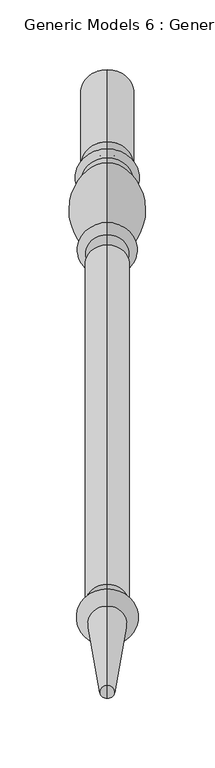
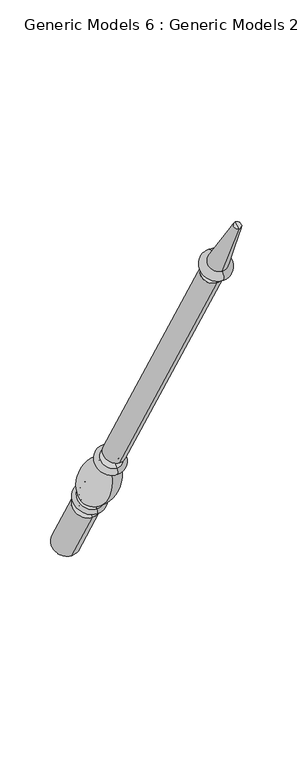
"""IFC4 building model written with IfcOpenShell, lengths in millimetres: proxy geometry, Generic Models 6 : Generic Models 2."""

from ifc_helpers import new_model, si_unit, point, frame, origin, place, context, project, spatial, polyline, circle_curve, ellipse_curve, trimmed, source, transform, mapped, element, save
from ifc_brep_helpers import plane_surface, cylinder_surface, revolved_surface, advanced_brep


def generic_models_6_generic_models_2_a568923c(model_context):
    return source(origin(), model_context, "Body", "AdvancedBrep", [
        advanced_brep(
        [(-1848.2684498, 1861.1601077, 610.5814746), (-1848.2684498, 1828.1645398, 591.5314746), (-1848.2684498, 1880.0576333, 501.65), (-1848.2684498, 1913.0532012, 520.7), (-1848.2684498, 1853.6896456, 623.5206944), (-1848.2684498, 1820.6940777, 604.4706944), (-1848.2684498, 1849.5864045, 630.6277165), (-1848.2684498, 1816.5908366, 611.5777165), (-1848.2684498, 1845.9182158, 636.9812058), (-1848.2684498, 1812.9226479, 617.9312058), (-1848.2684498, 1801.1569262, 703.055156), (-1848.2684498, 1778.0815733, 689.7325947), (-1848.2684498, 1799.8610191, 710.4046105), (-1848.2684498, 1772.3647125, 694.5296105), (-1848.2684498, 1794.1590629, 720.2806883), (-1848.2684498, 1766.6627563, 704.4056883), (-1848.2684498, 1786.7732215, 733.0733408), (-1848.2684498, 1759.276915, 717.1983408), (-1848.2684498, 1542.2982215, 1156.516462), (-1848.2684498, 1514.801915, 1140.641462), (-1848.2684498, 1537.2251467, 1153.5875209), (-1848.2684498, 1519.8749898, 1143.5704031), (-1848.2684498, 1531.1910418, 1164.0388972), (-1848.2684498, 1513.8408848, 1154.0217794), (-1848.2684498, 1534.7597609, 1166.0992981), (-1848.2684498, 1510.2721658, 1151.9613785), (-1848.2684498, 1526.5847892, 1180.2587644), (-1848.2684498, 1502.0971941, 1166.1208448), (-1848.2684498, 1469.4852742, 1261.8053229), (-1848.2684498, 1460.0255603, 1256.3437545), (-1848.2684498, 1464.7554173, 1259.0745387), (-1848.2684498, 1896.5554173, 511.175)],
        [
            (0, 1, circle_curve(frame((-1848.2684498, 1844.6623237, 601.0564746), z_axis=(0.0, 0.5000000000000062, -0.8660254037844352), x_axis=(0.0, -0.8660254037844352, -0.5000000000000062)), 19.05)),
            (1, 2),
            (2, 3, circle_curve(frame((-1848.2684498, 1896.5554173, 511.175), z_axis=(0.0, -0.5000000000000062, 0.8660254037844352), x_axis=(0.0, -0.8660254037844352, -0.5000000000000062)), 19.05)),
            (3, 0),
            (1, 0, circle_curve(frame((-1848.2684498, 1844.6623237, 601.0564746), z_axis=(0.0, 0.5000000000000062, -0.8660254037844352), x_axis=(0.0, -0.8660254037844352, -0.5000000000000062)), 19.05)),
            (3, 2, circle_curve(frame((-1848.2684498, 1896.5554173, 511.175), z_axis=(0.0, -0.5000000000000062, 0.8660254037844352), x_axis=(0.0, -0.8660254037844352, -0.5000000000000062)), 19.05)),
            (4, 5, circle_curve(frame((-1848.2684498, 1837.1918617, 613.9956944), z_axis=(0.0, 0.5000000000000062, -0.8660254037844352), x_axis=(0.0, -0.8660254037844352, -0.5000000000000062)), 19.05)),
            (5, 1, circle_curve(frame((-1848.2684498, 1821.8102989, 596.4889985), z_axis=(-1.0, 0.0, 0.0), x_axis=(0.0, 0.8660254037844352, 0.5000000000000062)), 8.0593685)),
            (0, 4, circle_curve(frame((-1848.2684498, 1860.0438865, 618.5631706), z_axis=(-1.0, 0.0, 0.0), x_axis=(0.0, -0.8660254037844352, -0.5000000000000062)), 8.0593685)),
            (5, 4, circle_curve(frame((-1848.2684498, 1837.1918617, 613.9956944), z_axis=(0.0, 0.5000000000000062, -0.8660254037844352), x_axis=(0.0, -0.8660254037844352, -0.5000000000000062)), 19.05)),
            (6, 7, circle_curve(frame((-1848.2684498, 1833.0886205, 621.1027165), z_axis=(0.0, 0.5000000000000062, -0.8660254037844352), x_axis=(0.0, -0.8660254037844352, -0.5000000000000062)), 19.05)),
            (7, 5, circle_curve(frame((-1848.2684498, 1818.6424572, 608.0242055), z_axis=(1.0, 0.0, 0.0), x_axis=(0.0, 0.8660254037844352, 0.5000000000000062)), 4.1032411)),
            (4, 6, circle_curve(frame((-1848.2684498, 1851.638025, 627.0742055), z_axis=(1.0, 0.0, 0.0), x_axis=(0.0, -0.8660254037844352, -0.5000000000000062)), 4.1032411)),
            (7, 6, circle_curve(frame((-1848.2684498, 1833.0886205, 621.1027165), z_axis=(0.0, 0.5000000000000062, -0.8660254037844352), x_axis=(0.0, -0.8660254037844352, -0.5000000000000062)), 19.05)),
            (8, 9, circle_curve(frame((-1848.2684498, 1829.4204318, 627.4562058), z_axis=(0.0, 0.5000000000000062, -0.8660254037844352), x_axis=(0.0, -0.8660254037844352, -0.5000000000000062)), 19.05)),
            (9, 7, circle_curve(frame((-1848.2684498, 1813.3633086, 613.9499618), z_axis=(-1.0, 0.0, 0.0), x_axis=(0.0, 0.8660254037844352, 0.5000000000000062)), 4.0055568)),
            (6, 8, circle_curve(frame((-1848.2684498, 1849.1457438, 634.6089605), z_axis=(-1.0, 0.0, 0.0), x_axis=(0.0, -0.8660254037844352, -0.5000000000000062)), 4.0055568)),
            (9, 8, circle_curve(frame((-1848.2684498, 1829.4204318, 627.4562058), z_axis=(0.0, 0.5000000000000062, -0.8660254037844352), x_axis=(0.0, -0.8660254037844352, -0.5000000000000062)), 19.05)),
            (10, 11, circle_curve(frame((-1848.2684498, 1789.6192497, 696.3938754), z_axis=(0.0, 0.5000000000000062, -0.8660254037844352), x_axis=(0.0, -0.8660254037844352, -0.5000000000000062)), 13.3225612)),
            (11, 9, circle_curve(frame((-1848.2684498, 1854.1299968, 682.2806335), z_axis=(1.0, 0.0, 0.0), x_axis=(0.0, 0.8660254037844352, 0.5000000000000062)), 76.412659)),
            (8, 10, circle_curve(frame((-1848.2684498, 1769.5863022, 633.4693086), z_axis=(1.0, 0.0, 0.0), x_axis=(0.0, -0.8660254037844352, -0.5000000000000062)), 76.412659)),
            (11, 10, circle_curve(frame((-1848.2684498, 1789.6192497, 696.3938754), z_axis=(0.0, 0.5000000000000062, -0.8660254037844352), x_axis=(0.0, -0.8660254037844352, -0.5000000000000062)), 13.3225612)),
            (12, 13, circle_curve(frame((-1848.2684498, 1786.1128658, 702.4671105), z_axis=(0.0, 0.5000000000000062, -0.8660254037844352), x_axis=(0.0, -0.8660254037844352, -0.5000000000000062)), 15.875)),
            (13, 11, circle_curve(frame((-1848.2684498, 1773.4069828, 689.9666873), z_axis=(-1.0, 0.0, 0.0), x_axis=(0.0, 0.8660254037844352, 0.5000000000000062)), 4.6804482)),
            (10, 12, circle_curve(frame((-1848.2684498, 1803.2914914, 707.2205164), z_axis=(-1.0, 0.0, 0.0), x_axis=(0.0, -0.8660254037844352, -0.5000000000000062)), 4.6804482)),
            (13, 12, circle_curve(frame((-1848.2684498, 1786.1128658, 702.4671105), z_axis=(0.0, 0.5000000000000062, -0.8660254037844352), x_axis=(0.0, -0.8660254037844352, -0.5000000000000062)), 15.875)),
            (14, 15, circle_curve(frame((-1848.2684498, 1780.4109096, 712.3431883), z_axis=(0.0, 0.5000000000000062, -0.8660254037844352), x_axis=(0.0, -0.8660254037844352, -0.5000000000000062)), 15.875)),
            (15, 13, circle_curve(frame((-1848.2684498, 1769.5137344, 699.4676494), z_axis=(1.0, 0.0, 0.0), x_axis=(0.0, 0.8660254037844352, 0.5000000000000062)), 5.7019562)),
            (12, 14, circle_curve(frame((-1848.2684498, 1797.010041, 715.3426494), z_axis=(1.0, 0.0, 0.0), x_axis=(0.0, -0.8660254037844352, -0.5000000000000062)), 5.7019562)),
            (15, 14, circle_curve(frame((-1848.2684498, 1780.4109096, 712.3431883), z_axis=(0.0, 0.5000000000000062, -0.8660254037844352), x_axis=(0.0, -0.8660254037844352, -0.5000000000000062)), 15.875)),
            (16, 17, circle_curve(frame((-1848.2684498, 1773.0250683, 725.1358408), z_axis=(0.0, 0.5000000000000062, -0.8660254037844352), x_axis=(0.0, -0.8660254037844352, -0.5000000000000062)), 15.875)),
            (17, 15, circle_curve(frame((-1848.2684498, 1762.9698356, 710.8020145), z_axis=(-1.0, 0.0, 0.0), x_axis=(0.0, 0.8660254037844352, 0.5000000000000062)), 7.3858413)),
            (14, 16, circle_curve(frame((-1848.2684498, 1790.4661422, 726.6770145), z_axis=(-1.0, 0.0, 0.0), x_axis=(0.0, -0.8660254037844352, -0.5000000000000062)), 7.3858413)),
            (17, 16, circle_curve(frame((-1848.2684498, 1773.0250683, 725.1358408), z_axis=(0.0, 0.5000000000000062, -0.8660254037844352), x_axis=(0.0, -0.8660254037844352, -0.5000000000000062)), 15.875)),
            (18, 19, circle_curve(frame((-1848.2684498, 1528.5500683, 1148.578962), z_axis=(0.0, 0.5000000000000062, -0.8660254037844352), x_axis=(0.0, -0.8660254037844352, -0.5000000000000062)), 15.875)),
            (19, 17),
            (16, 18),
            (19, 18, circle_curve(frame((-1848.2684498, 1528.5500683, 1148.578962), z_axis=(0.0, 0.5000000000000062, -0.8660254037844352), x_axis=(0.0, -0.8660254037844352, -0.5000000000000062)), 15.875)),
            (20, 21, circle_curve(frame((-1848.2684498, 1528.5500683, 1148.578962), z_axis=(0.0, 0.5000000000000062, -0.8660254037844352), x_axis=(0.0, -0.8660254037844352, -0.5000000000000062)), 10.0171178)),
            (21, 19),
            (18, 20),
            (21, 20, circle_curve(frame((-1848.2684498, 1528.5500683, 1148.578962), z_axis=(0.0, 0.5000000000000062, -0.8660254037844352), x_axis=(0.0, -0.8660254037844352, -0.5000000000000062)), 10.0171178)),
            (22, 23, circle_curve(frame((-1848.2684498, 1522.5159633, 1159.0303383), z_axis=(0.0, 0.5000000000000062, -0.8660254037844352), x_axis=(0.0, -0.8660254037844352, -0.5000000000000062)), 10.0171178)),
            (23, 21, circle_curve(frame((-1848.2684498, 1515.3020818, 1147.8978177), z_axis=(-1.0, 0.0, 0.0), x_axis=(0.0, 0.8660254037844352, 0.5000000000000062)), 6.295872)),
            (20, 22, circle_curve(frame((-1848.2684498, 1535.7639497, 1159.7114826), z_axis=(-1.0, 0.0, 0.0), x_axis=(0.0, -0.8660254037844352, -0.5000000000000062)), 6.295872)),
            (23, 22, circle_curve(frame((-1848.2684498, 1522.5159633, 1159.0303383), z_axis=(0.0, 0.5000000000000062, -0.8660254037844352), x_axis=(0.0, -0.8660254037844352, -0.5000000000000062)), 10.0171178)),
            (24, 25, circle_curve(frame((-1848.2684498, 1522.5159633, 1159.0303383), z_axis=(0.0, 0.5000000000000062, -0.8660254037844352), x_axis=(0.0, -0.8660254037844352, -0.5000000000000062)), 14.1379196)),
            (25, 23),
            (22, 24),
            (25, 24, circle_curve(frame((-1848.2684498, 1522.5159633, 1159.0303383), z_axis=(0.0, 0.5000000000000062, -0.8660254037844352), x_axis=(0.0, -0.8660254037844352, -0.5000000000000062)), 14.1379196)),
            (26, 27, circle_curve(frame((-1848.2684498, 1514.3409916, 1173.1898046), z_axis=(0.0, 0.5000000000000062, -0.8660254037844352), x_axis=(0.0, -0.8660254037844352, -0.5000000000000062)), 14.1379196)),
            (27, 25, circle_curve(frame((-1848.2684498, 1506.1846799, 1159.0411116), z_axis=(1.0, 0.0, 0.0), x_axis=(0.0, 0.8660254037844352, 0.5000000000000062)), 8.1749717)),
            (24, 26, circle_curve(frame((-1848.2684498, 1530.672275, 1173.1790313), z_axis=(1.0, 0.0, 0.0), x_axis=(0.0, -0.8660254037844352, -0.5000000000000062)), 8.1749717)),
            (27, 26, circle_curve(frame((-1848.2684498, 1514.3409916, 1173.1898046), z_axis=(0.0, 0.5000000000000062, -0.8660254037844352), x_axis=(0.0, -0.8660254037844352, -0.5000000000000062)), 14.1379196)),
            (28, 29, circle_curve(frame((-1848.2684498, 1464.7554173, 1259.0745387), z_axis=(0.0, 0.5000000000000062, -0.8660254037844352), x_axis=(0.0, -0.8660254037844352, -0.5000000000000062)), 5.4615684)),
            (29, 27),
            (26, 28),
            (29, 28, circle_curve(frame((-1848.2684498, 1464.7554173, 1259.0745387), z_axis=(0.0, 0.5000000000000062, -0.8660254037844352), x_axis=(0.0, -0.8660254037844352, -0.5000000000000062)), 5.4615684)),
            (30, 29),
            (28, 30),
            (2, 31),
            (31, 3),
        ],
        [
            cylinder_surface(frame((-1848.2684498, 1464.7554173, 1259.0745387), z_axis=(0.0, -0.5000000000000062, 0.8660254037844352), x_axis=(0.0, -0.8660254037844352, -0.5000000000000062)), 19.05),
            revolved_surface(trimmed(ellipse_curve(frame((-1848.2684498, 1821.8102989, 596.4889985), z_axis=(1.0, 0.0, 0.0), x_axis=(0.0, 0.8660254037844352, 0.5000000000000062)), 8.0593685, 8.0593685), [point((-1848.2684498, 1828.1645398, 591.5314746))], [point((-1848.2684498, 1820.6940777, 604.4706944))], True, "CARTESIAN"), (-1848.2684498, 1464.7554173, 1259.0745387), (0.0, -0.5000000000000062, 0.8660254037844352)),
            revolved_surface(trimmed(ellipse_curve(frame((-1848.2684498, 1818.6424572, 608.0242055), z_axis=(-1.0, 0.0, 0.0), x_axis=(0.0, 0.8660254037844352, 0.5000000000000062)), 4.1032411, 4.1032411), [point((-1848.2684498, 1820.6940777, 604.4706944))], [point((-1848.2684498, 1816.5908366, 611.5777165))], True, "CARTESIAN"), (-1848.2684498, 1464.7554173, 1259.0745387), (0.0, -0.5000000000000062, 0.8660254037844352)),
            revolved_surface(trimmed(ellipse_curve(frame((-1848.2684498, 1813.3633086, 613.9499618), z_axis=(1.0, 0.0, 0.0), x_axis=(0.0, 0.8660254037844352, 0.5000000000000062)), 4.0055568, 4.0055568), [point((-1848.2684498, 1816.5908366, 611.5777165))], [point((-1848.2684498, 1812.9226479, 617.9312058))], True, "CARTESIAN"), (-1848.2684498, 1464.7554173, 1259.0745387), (0.0, -0.5000000000000062, 0.8660254037844352)),
            revolved_surface(trimmed(ellipse_curve(frame((-1848.2684498, 1854.1299968, 682.2806335), z_axis=(-1.0, 0.0, 0.0), x_axis=(0.0, 0.8660254037844352, 0.5000000000000062)), 76.412659, 76.412659), [point((-1848.2684498, 1812.9226479, 617.9312058))], [point((-1848.2684498, 1778.0815733, 689.7325947))], True, "CARTESIAN"), (-1848.2684498, 1464.7554173, 1259.0745387), (0.0, -0.5000000000000062, 0.8660254037844352)),
            revolved_surface(trimmed(ellipse_curve(frame((-1848.2684498, 1773.4069828, 689.9666873), z_axis=(1.0, 0.0, 0.0), x_axis=(0.0, 0.8660254037844352, 0.5000000000000062)), 4.6804482, 4.6804482), [point((-1848.2684498, 1778.0815733, 689.7325947))], [point((-1848.2684498, 1772.3647125, 694.5296105))], True, "CARTESIAN"), (-1848.2684498, 1464.7554173, 1259.0745387), (0.0, -0.5000000000000062, 0.8660254037844352)),
            revolved_surface(trimmed(ellipse_curve(frame((-1848.2684498, 1769.5137344, 699.4676494), z_axis=(-1.0, 0.0, 0.0), x_axis=(0.0, 0.8660254037844352, 0.5000000000000062)), 5.7019562, 5.7019562), [point((-1848.2684498, 1772.3647125, 694.5296105))], [point((-1848.2684498, 1766.6627563, 704.4056883))], True, "CARTESIAN"), (-1848.2684498, 1464.7554173, 1259.0745387), (0.0, -0.5000000000000062, 0.8660254037844352)),
            revolved_surface(trimmed(ellipse_curve(frame((-1848.2684498, 1762.9698356, 710.8020145), z_axis=(1.0, 0.0, 0.0), x_axis=(0.0, 0.8660254037844352, 0.5000000000000062)), 7.3858413, 7.3858413), [point((-1848.2684498, 1766.6627563, 704.4056883))], [point((-1848.2684498, 1759.276915, 717.1983408))], True, "CARTESIAN"), (-1848.2684498, 1464.7554173, 1259.0745387), (0.0, -0.5000000000000062, 0.8660254037844352)),
            cylinder_surface(frame((-1848.2684498, 1464.7554173, 1259.0745387), z_axis=(0.0, -0.5000000000000062, 0.8660254037844352), x_axis=(0.0, -0.8660254037844352, -0.5000000000000062)), 15.875),
            plane_surface(frame((-1848.2684498, 1528.5500683, 1148.578962), z_axis=(0.0, -0.5000000000000062, 0.8660254037844352), x_axis=(0.0, -0.8660254037844352, -0.5000000000000062))),
            revolved_surface(trimmed(ellipse_curve(frame((-1848.2684498, 1515.3020818, 1147.8978177), z_axis=(1.0, 0.0, 0.0), x_axis=(0.0, 0.8660254037844352, 0.5000000000000062)), 6.295872, 6.295872), [point((-1848.2684498, 1519.8749898, 1143.5704031))], [point((-1848.2684498, 1513.8408848, 1154.0217794))], True, "CARTESIAN"), (-1848.2684498, 1464.7554173, 1259.0745387), (0.0, -0.5000000000000062, 0.8660254037844352)),
            plane_surface(frame((-1848.2684498, 1522.5159633, 1159.0303383), z_axis=(0.0, 0.5000000000000062, -0.8660254037844352), x_axis=(0.0, -0.8660254037844352, -0.5000000000000062))),
            revolved_surface(trimmed(ellipse_curve(frame((-1848.2684498, 1506.1846799, 1159.0411116), z_axis=(-1.0, 0.0, 0.0), x_axis=(0.0, 0.8660254037844352, 0.5000000000000062)), 8.1749717, 8.1749717), [point((-1848.2684498, 1510.2721658, 1151.9613785))], [point((-1848.2684498, 1502.0971941, 1166.1208448))], True, "CARTESIAN"), (-1848.2684498, 1464.7554173, 1259.0745387), (0.0, -0.5000000000000062, 0.8660254037844352)),
            revolved_surface(polyline([(-1848.2684498, 1502.0971941, 1166.1208448), (-1848.2684498, 1460.0255603, 1256.3437545)]), (-1848.2684498, 1464.7554173, 1259.0745387), (0.0, -0.5000000000000062, 0.8660254037844352)),
            plane_surface(frame((-1848.2684498, 1464.7554173, 1259.0745387), z_axis=(0.0, -0.5000000000000062, 0.8660254037844352), x_axis=(0.0, -0.8660254037844352, -0.5000000000000062))),
            plane_surface(frame((-1848.2684498, 1896.5554173, 511.175), z_axis=(0.0, 0.5000000000000062, -0.8660254037844352), x_axis=(0.0, -0.8660254037844352, -0.5000000000000062))),
        ],
        [
            (0, [[1, 2, 3, 4]]),
            (0, [[5, -4, 6, -2]]),
            (1, [[7, 8, -1, 9]]),
            (1, [[10, -9, -5, -8]]),
            (2, [[11, 12, -7, 13]]),
            (2, [[14, -13, -10, -12]]),
            (3, [[15, 16, -11, 17]]),
            (3, [[18, -17, -14, -16]]),
            (4, [[19, 20, -15, 21]]),
            (4, [[22, -21, -18, -20]]),
            (5, [[23, 24, -19, 25]]),
            (5, [[26, -25, -22, -24]]),
            (6, [[27, 28, -23, 29]]),
            (6, [[30, -29, -26, -28]]),
            (7, [[31, 32, -27, 33]]),
            (7, [[34, -33, -30, -32]]),
            (8, [[35, 36, -31, 37]]),
            (8, [[38, -37, -34, -36]]),
            (9, [[39, 40, -35, 41]]),
            (9, [[42, -41, -38, -40]]),
            (10, [[43, 44, -39, 45]]),
            (10, [[46, -45, -42, -44]]),
            (11, [[47, 48, -43, 49]]),
            (11, [[50, -49, -46, -48]]),
            (12, [[51, 52, -47, 53]]),
            (12, [[54, -53, -50, -52]]),
            (13, [[55, 56, -51, 57]]),
            (13, [[58, -57, -54, -56]]),
            (14, [[59, -55, 60]]),
            (14, [[-60, -58, -59]]),
            (15, [[-3, 61, 62]]),
            (15, [[-6, -62, -61]]),
        ],
    ),
    ])


if __name__ == "__main__":
    model = new_model("IFC4")
    model_context = context("Model", 3, world=origin())
    ifc_project = project(units=[si_unit("LENGTHUNIT", "METRE", prefix="MILLI")], contexts=[model_context])
    site = spatial("IfcSite", under=ifc_project)
    building = spatial("IfcBuilding", under=site)
    placement = place(None, origin())
    generic_models_6_generic_models_2_shape = generic_models_6_generic_models_2_a568923c(model_context)
    element("IfcBuildingElementProxy", 1, Name="Generic Models 6 : Generic Models 2", ObjectType="Generic Models 6 : Generic Models 2", at=placement, inside=building, context=model_context, shape_type="MappedRepresentation", body=[
        mapped(generic_models_6_generic_models_2_shape, transform((0.0, 0.0, 0.0), x_axis=(1.0, 0.0, 0.0), y_axis=(0.0, 1.0, 0.0), z_axis=(0.0, 0.0, 1.0))),
    ])
    save(model, "model.ifc")
